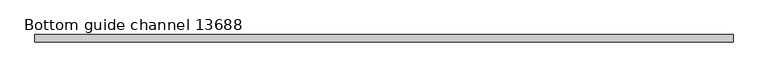
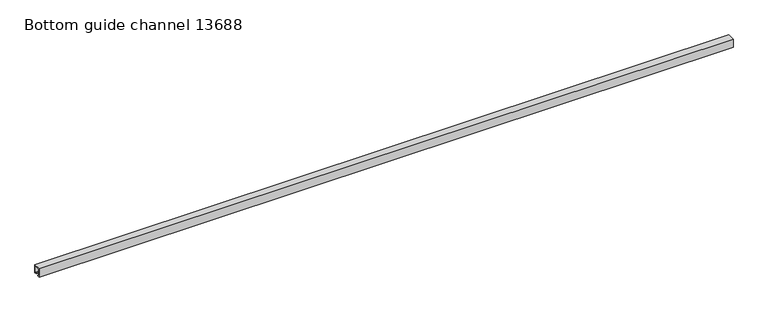
"""IFC4 building model written with IfcOpenShell, lengths in millimetres: proxy geometry, Bottom guide channel 13688."""

import ifcopenshell
import ifcopenshell.guid

model = None  # the IFC model being written
_history = None  # IfcOwnerHistory: only IFC2X3 demands one
_inside = {}  # id of a spatial element -> (the spatial element, [elements in it])
_under = {}  # id of a project, library or spatial element -> (it, [spatial elements below it])
_declared = {}  # id of a project -> (the project, [libraries it declares])
_typed = {}  # id of a type object -> (the type object, [elements of that type])
_made_of = {}  # id of a material, layer set ... -> (it, [elements and type objects made of it])


def new_model(schema):
    """Start an empty IFC model of exactly this schema.

    Asked for "IFC4X3", IfcOpenShell would pick the latest addendum, in which some entities
    have other attributes; the version numbers below select the first issue.
    IFC2X3 requires an IfcOwnerHistory on every rooted entity: one is made here for all.
    """
    global model, _history
    if schema == "IFC4X3":
        model = ifcopenshell.file(schema_version=(4, 3, 0, 0))
    else:
        model = ifcopenshell.file(schema=schema)
    _inside.clear()
    _under.clear()
    _declared.clear()
    _typed.clear()
    _made_of.clear()
    _history = None
    if model.schema == "IFC2X3":
        org = make("IfcOrganization", Name="unknown")
        user = make(
            "IfcPersonAndOrganization",
            ThePerson=make("IfcPerson", FamilyName="unknown"),
            TheOrganization=org,
        )
        app = make(
            "IfcApplication",
            ApplicationDeveloper=org,
            Version="unknown",
            ApplicationFullName="unknown",
            ApplicationIdentifier="unknown",
        )
        _history = make(
            "IfcOwnerHistory",
            OwningUser=user,
            OwningApplication=app,
            ChangeAction="ADDED",
            CreationDate=0,
        )
    return model


def make(cls, **values):
    """One entity of the class cls with the attributes given. An attribute that is None is left unset."""
    return model.create_entity(
        cls, **{name: value for name, value in values.items() if value is not None}
    )


def rooted(cls, **values):
    """An entity with a GlobalId (a new one), such as an element, a storey or a relation."""
    return make(cls, GlobalId=ifcopenshell.guid.new(), OwnerHistory=_history, **values)


def si_unit(unit_type, name, prefix=None):
    """IfcSIUnit, for example si_unit("LENGTHUNIT", "METRE", prefix="MILLI")."""
    return make("IfcSIUnit", UnitType=unit_type, Prefix=prefix, Name=name)


def assignment(units):
    """IfcUnitAssignment: the units of a project."""
    return None if units is None else make("IfcUnitAssignment", Units=units)


def point(xyz):
    """IfcCartesianPoint."""
    return None if xyz is None else make("IfcCartesianPoint", Coordinates=xyz)


def direction(xyz):
    """IfcDirection."""
    return None if xyz is None else make("IfcDirection", DirectionRatios=xyz)


def frame(location, z_axis=None, x_axis=None):
    """IfcAxis2Placement3D, a coordinate frame: its origin and axes. An axis left out is left unset."""
    return make(
        "IfcAxis2Placement3D",
        Location=point(location),
        Axis=direction(z_axis),
        RefDirection=direction(x_axis),
    )


def origin():
    """The frame at (0, 0, 0) with its axes left unset."""
    return frame((0.0, 0.0, 0.0))


def place(relative_to, where):
    """IfcLocalPlacement: puts the frame where relative to a parent placement (None: the world)."""
    return make(
        "IfcLocalPlacement", PlacementRelTo=relative_to, RelativePlacement=where
    )


def context(
    kind, dimensions, precision=None, world=None, true_north=None, identifier=None
):
    """IfcGeometricRepresentationContext, for example the 3D "Model" context."""
    return make(
        "IfcGeometricRepresentationContext",
        ContextIdentifier=identifier,
        ContextType=kind,
        CoordinateSpaceDimension=dimensions,
        Precision=precision,
        WorldCoordinateSystem=world,
        TrueNorth=true_north,
    )


def project(units=None, contexts=None):
    """IfcProject with its units and contexts."""
    return rooted(
        "IfcProject",
        Name="project",
        RepresentationContexts=contexts,
        UnitsInContext=assignment(units),
    )


def spatial(cls, under=None, at=None, **own):
    """A site, building, storey or space (cls), placed at a placement, below another one or the project."""
    s = rooted(cls, ObjectPlacement=at, **own)
    if under is not None:
        _under.setdefault(under.id(), (under, []))[1].append(s)
    return s


def polyline(points):
    """IfcPolyline through the points."""
    return make("IfcPolyline", Points=[point(p) for p in points])


def outline(outer, holes=None, kind="AREA"):
    """IfcArbitraryClosedProfileDef: a profile drawn as a closed curve; with holes, ...WithVoids."""
    if holes is None:
        return make("IfcArbitraryClosedProfileDef", ProfileType=kind, OuterCurve=outer)
    return make(
        "IfcArbitraryProfileDefWithVoids",
        ProfileType=kind,
        OuterCurve=outer,
        InnerCurves=holes,
    )


def extrude(swept, where, along, depth):
    """IfcExtrudedAreaSolid: the profile swept, set in the frame where, extruded along a direction by depth."""
    return make(
        "IfcExtrudedAreaSolid",
        SweptArea=swept,
        Position=where,
        ExtrudedDirection=direction(along),
        Depth=depth,
    )


def shape(context_of_items, identifier, shape_type, items):
    """IfcShapeRepresentation: the items that make up one representation, for example the "Body"."""
    return make(
        "IfcShapeRepresentation",
        ContextOfItems=context_of_items,
        RepresentationIdentifier=identifier,
        RepresentationType=shape_type,
        Items=items,
    )


def source(mapping_origin, context_of_items, identifier, shape_type, items):
    """IfcRepresentationMap: a shape defined once, which mapped items show again and again."""
    return make(
        "IfcRepresentationMap",
        MappingOrigin=mapping_origin,
        MappedRepresentation=shape(context_of_items, identifier, shape_type, items),
    )


def transform(
    local_origin,
    x_axis=None,
    y_axis=None,
    z_axis=None,
    scale=None,
    scale2=None,
    scale3=None,
    uniform=True,
):
    """IfcCartesianTransformationOperator3D, or its non-uniform kind. x_axis, y_axis, z_axis: its Axis1, 2, 3."""
    if uniform:
        return make(
            "IfcCartesianTransformationOperator3D",
            Axis1=direction(x_axis),
            Axis2=direction(y_axis),
            LocalOrigin=point(local_origin),
            Scale=scale,
            Axis3=direction(z_axis),
        )
    return make(
        "IfcCartesianTransformationOperator3DnonUniform",
        Axis1=direction(x_axis),
        Axis2=direction(y_axis),
        LocalOrigin=point(local_origin),
        Scale=scale,
        Axis3=direction(z_axis),
        Scale2=scale2,
        Scale3=scale3,
    )


def mapped(mapping_source, mapping_target):
    """IfcMappedItem: shows the shape of a source again, moved by a transform."""
    return make(
        "IfcMappedItem", MappingSource=mapping_source, MappingTarget=mapping_target
    )


def made_of(thing, what):
    """Note that an element or type object is made of a material, layer set ...; save() writes the relation."""
    if what is not None:
        _made_of.setdefault(what.id(), (what, []))[1].append(thing)
    return thing


def element(
    cls,
    number,
    at=None,
    inside=None,
    cuts=None,
    type_object=None,
    material=None,
    context=None,
    identifier="Body",
    shape_type=None,
    held_by="IfcProductDefinitionShape",
    body=None,
    shapes=None,
    **own,
):
    """One element of the class cls, such as IfcWall. Its Tag is "e" and its number.

    at: its placement. inside: the storey or other place that contains it. cuts: it is an
    opening in that element (IfcRelVoidsElement). A single representation is given by context,
    identifier, shape_type and body (its items); several are given by shapes. held_by: the class
    of the entity that holds the representations. save() writes the other relations.
    """
    e = rooted(cls, Tag="e%d" % number, ObjectPlacement=at, **own)
    if body is not None:
        shapes = [shape(context, identifier, shape_type, body)]
    if shapes is not None:
        e.Representation = make(held_by, Representations=shapes)
    if inside is not None:
        _inside.setdefault(inside.id(), (inside, []))[1].append(e)
    if cuts is not None:
        rooted(
            "IfcRelVoidsElement", RelatingBuildingElement=cuts, RelatedOpeningElement=e
        )
    if type_object is not None:
        _typed.setdefault(type_object.id(), (type_object, []))[1].append(e)
    return made_of(e, material)


def aggregate(whole, parts):
    """IfcRelAggregates: a whole, such as a stair, and the parts it consists of."""
    return rooted("IfcRelAggregates", RelatingObject=whole, RelatedObjects=parts)


def save(model, path):
    """Write the relations noted so far, then the file.

    IfcRelAggregates (storeys below a building ...), IfcRelContainedInSpatialStructure (elements
    in a storey), IfcRelDefinesByType, IfcRelAssociatesMaterial and IfcRelDeclares: one each for
    every whole, place, type object, material and project.
    """
    for whole, parts in _under.values():
        aggregate(whole, parts)
    for where, things in _inside.values():
        rooted(
            "IfcRelContainedInSpatialStructure",
            RelatedElements=things,
            RelatingStructure=where,
        )
    for kind, things in _typed.values():
        rooted("IfcRelDefinesByType", RelatedObjects=things, RelatingType=kind)
    for what, things in _made_of.values():
        rooted("IfcRelAssociatesMaterial", RelatedObjects=things, RelatingMaterial=what)
    for by, libraries in _declared.values():
        rooted("IfcRelDeclares", RelatingContext=by, RelatedDefinitions=libraries)
    model.write(path)


def bottom_guide_channel_13688_b9a75d62(model_context):
    return source(origin(), model_context, "Body", "SweptSolid", [
        extrude(outline(polyline([(-14.0, 0.0), (-14.0, 32.0), (14.0, 32.0), (14.0, 0.0), (6.0, 0.0), (6.0, 3.0), (11.0, 3.0), (11.0, 29.0), (-10.9166556, 29.0), (-10.9166556, 3.0), (-6.0, 3.0), (-6.0, 0.0), (-14.0, 0.0)])), frame((0.0, 0.0, 0.0), z_axis=(1.0, 0.0, 0.0), x_axis=(0.0, 1.0, 0.0)), (0.0, 0.0, 1.0), 2600.0),
    ])


if __name__ == "__main__":
    model = new_model("IFC4")
    model_context = context("Model", 3, world=origin())
    ifc_project = project(units=[si_unit("LENGTHUNIT", "METRE", prefix="MILLI")], contexts=[model_context])
    site = spatial("IfcSite", under=ifc_project)
    building = spatial("IfcBuilding", under=site)
    placement = place(None, origin())
    bottom_guide_channel_13688_shape = bottom_guide_channel_13688_b9a75d62(model_context)
    element("IfcBuildingElementProxy", 1, Name="Bottom guide channel 13688", ObjectType="Bottom guide channel 13688", at=placement, inside=building, context=model_context, shape_type="MappedRepresentation", body=[
        mapped(bottom_guide_channel_13688_shape, transform((0.0, 0.0, 0.0), x_axis=(1.0, 0.0, 0.0), y_axis=(0.0, 1.0, 0.0), z_axis=(0.0, 0.0, 1.0))),
    ])
    save(model, "model.ifc")
